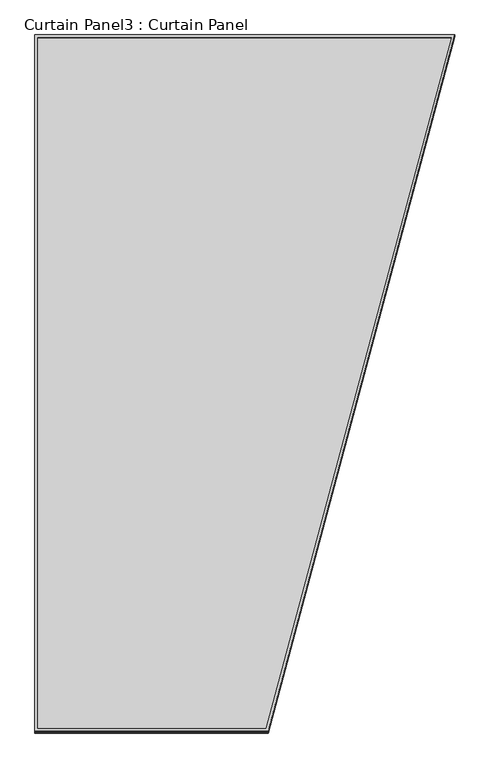
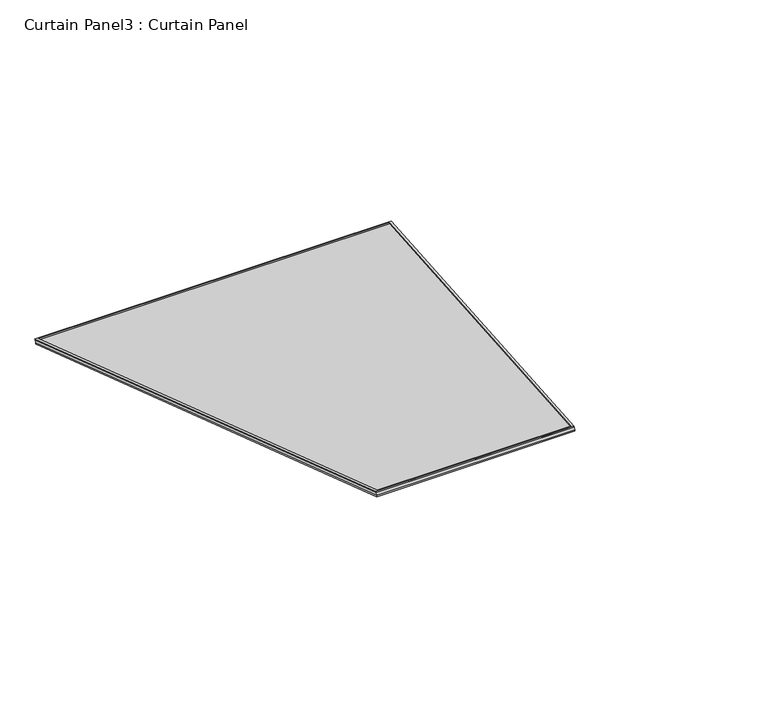
"""IFC4 building model written with IfcOpenShell, lengths in millimetres: plate geometry, Curtain Panel3 : Curtain Panel."""

from ifc_helpers import new_model, si_unit, frame, origin, place, context, project, spatial, polyline, outline, extrude, source, transform, mapped, element, save


def curtain_panel3_curtain_panel_f594bcb6(model_context):
    return source(origin(), model_context, "Body", "SweptSolid", [
        extrude(outline(polyline([(903.4000632, -2842.276264), (0.0, -2842.276264), (0.0, 0.0), (1625.924429, 0.0), (903.4000632, -2842.276264)]), holes=[polyline([(1611.6336331, -11.1125), (11.1125, -11.1125), (11.1125, -2831.1637639), (894.759001, -2831.1637639), (1611.6336331, -11.1125)])]), frame((13159.4740788, 10715.9629929, -9.1253086), z_axis=(0.0, 0.31614582397381535, 0.9487106081329109), x_axis=(1.0, 0.0, 0.0)), (0.0, 0.0, 1.0), 4.8132564),
        extrude(outline(polyline([(903.4000632, -2842.276264), (0.0, -2842.276264), (0.0, 0.0), (1625.924429, 0.0), (903.4000632, -2842.276264)]), holes=[polyline([(1611.6024471, -11.1367503), (11.1367503, -11.1367503), (11.1367503, -2831.1395138), (894.7401441, -2831.1395138), (1611.6024471, -11.1367503)])]), frame((13159.4740788, 10710.384385, -25.865952), z_axis=(0.0, 0.3161458239738077, 0.9487106081329133), x_axis=(1.0, 0.0, 0.0)), (0.0, 0.0, 1.0), 4.6815583),
        extrude(outline(polyline([(-596.6683727, 0.0), (1029.2560563, 0.0), (306.7316905, -2842.276264), (-596.6683727, -2842.276264), (-596.6683727, 0.0)])), frame((13756.1424515, 10711.8644401, -21.4245079), z_axis=(0.0, 0.3161458239738058, 0.948710608132914), x_axis=(1.0, 0.0, 0.0)), (0.0, 0.0, 1.0), 12.9641213),
    ])


if __name__ == "__main__":
    model = new_model("IFC4")
    model_context = context("Model", 3, world=origin())
    ifc_project = project(units=[si_unit("LENGTHUNIT", "METRE", prefix="MILLI")], contexts=[model_context])
    site = spatial("IfcSite", under=ifc_project)
    building = spatial("IfcBuilding", under=site)
    placement = place(None, origin())
    curtain_panel3_curtain_panel_shape = curtain_panel3_curtain_panel_f594bcb6(model_context)
    element("IfcPlate", 1, ObjectType="Curtain Panel3 : Curtain Panel", at=placement, inside=building, context=model_context, shape_type="MappedRepresentation", body=[
        mapped(curtain_panel3_curtain_panel_shape, transform((0.0, 0.0, 0.0), x_axis=(1.0, 0.0, 0.0), y_axis=(0.0, 1.0, 0.0), z_axis=(0.0, 0.0, 1.0))),
    ])
    save(model, "model.ifc")
